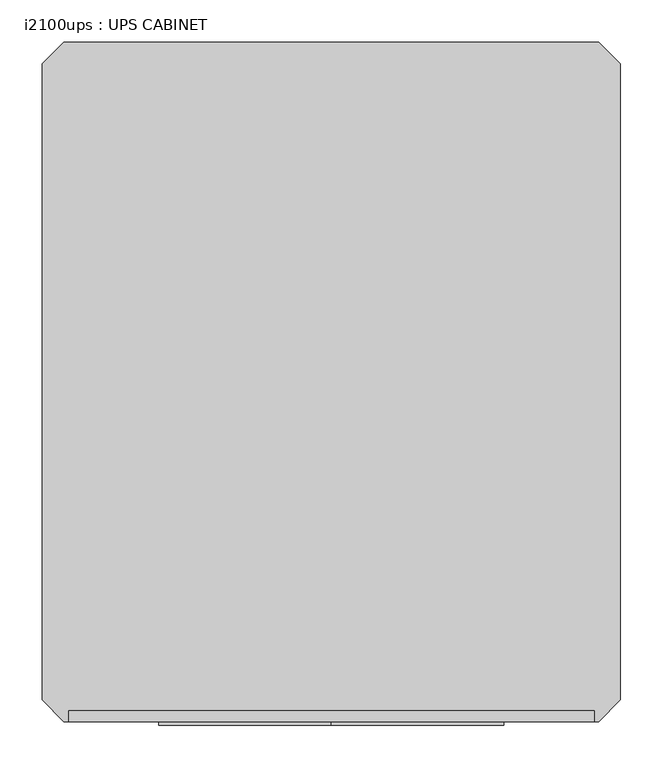
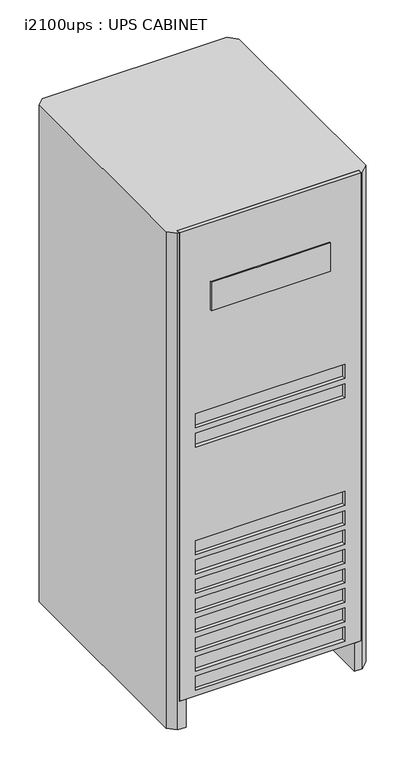
"""IFC4 building model written with IfcOpenShell, lengths in millimetres: proxy geometry, i2100ups : UPS CABINET."""

from ifc_helpers import new_model, si_unit, frame, origin, place, context, project, spatial, polyline, outline, extrude, faceted_brep, source, transform, mapped, element, save


def i2100ups_ups_cabinet_4d732f05(model_context):
    return source(origin(), model_context, "Body", "SolidModel", [
        extrude(outline(polyline([(1574.8, 203.2), (1574.8, 0.0), (1574.8, -203.2), (1473.2, -203.2), (1473.2, 203.2), (1574.8, 203.2)])), frame((0.0, -893.4233098, 0.0), z_axis=(0.0, 1.0, 0.0), x_axis=(0.0, 0.0, 1.0)), (0.0, 0.0, 1.0), 29.8233098),
        extrude(outline(polyline([(1788.16, 309.5938887), (1788.16, -309.5941598), (101.6, -309.5941598), (101.6, 309.5938887), (1788.16, 309.5938887)]), holes=[polyline([(1117.6, 0.0), (1117.6, 254.0), (1066.8, 254.0), (1066.8, -254.0), (1117.6, -254.0), (1117.6, 0.0)]), polyline([(1047.75, 0.0), (1047.75, 254.0), (996.95, 254.0), (996.95, -254.0), (1047.75, -254.0), (1047.75, 0.0)]), polyline([(660.4, 0.0), (660.4, 254.0), (609.6, 254.0), (609.6, -254.0), (660.4, -254.0), (660.4, 0.0)]), polyline([(590.55, 0.0), (590.55, 254.0), (539.75, 254.0), (539.75, -254.0), (590.55, -254.0), (590.55, 0.0)]), polyline([(520.7, 0.0), (520.7, 254.0), (469.9, 254.0), (469.9, -254.0), (520.7, -254.0), (520.7, 0.0)]), polyline([(450.85, 0.0), (450.85, 254.0), (400.05, 254.0), (400.05, -254.0), (450.85, -254.0), (450.85, 0.0)]), polyline([(381.0, 0.0), (381.0, 254.0), (330.2, 254.0), (330.2, -254.0), (381.0, -254.0), (381.0, 0.0)]), polyline([(311.15, 0.0), (311.15, 254.0), (260.35, 254.0), (260.35, -254.0), (311.15, -254.0), (311.15, 0.0)]), polyline([(241.3, 0.0), (241.3, 254.0), (190.5, 254.0), (190.5, -254.0), (241.3, -254.0), (241.3, 0.0)]), polyline([(171.45, 0.0), (171.45, 254.0), (120.65, 254.0), (120.65, -254.0), (171.45, -254.0), (171.45, 0.0)])]), frame((0.0, -889.0, 0.0), z_axis=(0.0, 1.0, 0.0), x_axis=(0.0, 0.0, 1.0)), (0.0, 0.0, 1.0), 12.7),
        faceted_brep([(-309.5941598, -889.0, 101.6), (-286.7210499, -889.0, 101.6), (-286.7210499, -876.3, 101.6), (-309.5941598, -876.3, 101.6), (286.7210499, -876.3, 101.6), (286.7210499, -889.0, 101.6), (309.5938887, -889.0, 101.6), (309.5938887, -876.3, 101.6), (-314.96, -88.9, 0.0), (-286.7210499, -88.9, 0.0), (-286.7210499, -889.0, 0.0), (-314.96, -889.0, 0.0), (-340.36, -863.6, 0.0), (-340.36, -114.3, 0.0), (314.96, -88.9, 0.0), (340.36, -114.3, 0.0), (340.36, -863.6, 0.0), (314.96, -889.0, 0.0), (286.7210499, -889.0, 0.0), (286.7210499, -88.9, 0.0), (-340.36, -114.3, 1788.16), (-314.96, -88.9, 1788.16), (-340.36, -863.6, 1788.16), (-314.96, -889.0, 1788.16), (-309.5941598, -889.0, 1788.16), (-286.7210499, -88.9, 101.6), (314.96, -88.9, 1788.16), (286.7210499, -88.9, 101.6), (314.96, -889.0, 1788.16), (309.5938887, -889.0, 1788.16), (340.36, -863.6, 1788.16), (340.36, -114.3, 1788.16), (-309.5941598, -876.3, 1788.16), (309.5938887, -876.3, 1788.16)], [[[0, 1, 2, 3]], [[4, 5, 6, 7]], [[8, 9, 10, 11, 12, 13]], [[14, 15, 16, 17, 18, 19]], [[8, 13, 20, 21]], [[20, 13, 12, 22]], [[22, 12, 11, 23]], [[23, 11, 10, 1, 0, 24]], [[10, 9, 25, 2, 1]], [[9, 8, 21, 26, 14, 19, 27, 25]], [[19, 18, 5, 4, 27]], [[18, 17, 28, 29, 6, 5]], [[28, 17, 16, 30]], [[30, 16, 15, 31]], [[31, 15, 14, 26]], [[30, 31, 26, 21, 20, 22, 23, 24, 32, 33, 29, 28]], [[25, 27, 4, 2]], [[32, 24, 0, 3]], [[33, 32, 3, 2, 4, 7]], [[29, 33, 7, 6]]]),
    ])


if __name__ == "__main__":
    model = new_model("IFC4")
    model_context = context("Model", 3, world=origin())
    ifc_project = project(units=[si_unit("LENGTHUNIT", "METRE", prefix="MILLI")], contexts=[model_context])
    site = spatial("IfcSite", under=ifc_project)
    building = spatial("IfcBuilding", under=site)
    placement = place(None, origin())
    i2100ups_ups_cabinet_shape = i2100ups_ups_cabinet_4d732f05(model_context)
    element("IfcBuildingElementProxy", 1, Name="i2100ups : UPS CABINET", ObjectType="i2100ups : UPS CABINET", at=placement, inside=building, context=model_context, shape_type="MappedRepresentation", body=[
        mapped(i2100ups_ups_cabinet_shape, transform((0.0, 0.0, 0.0), x_axis=(1.0, 0.0, 0.0), y_axis=(0.0, 1.0, 0.0), z_axis=(0.0, 0.0, 1.0))),
    ])
    save(model, "model.ifc")
